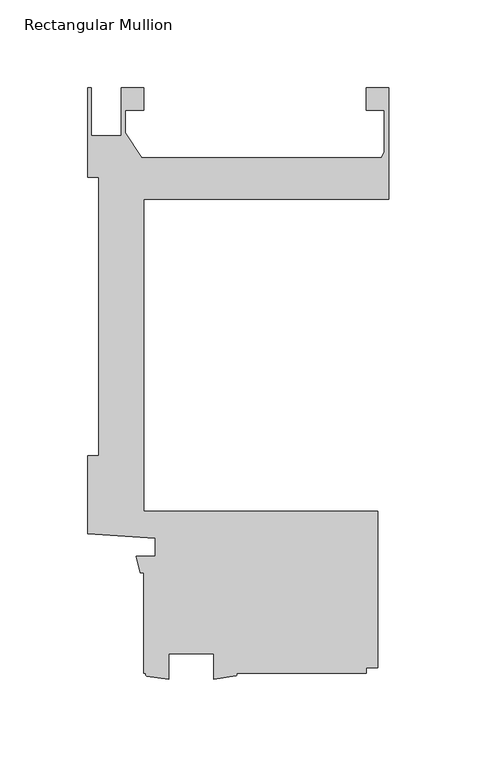
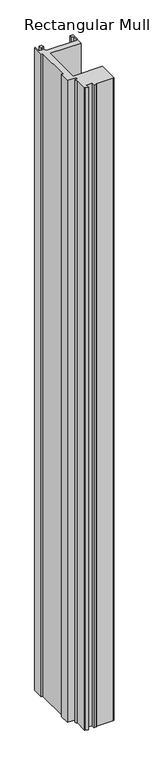
"""IFC4 building model written with IfcOpenShell, lengths in millimetres: member geometry, Rectangular Mullion."""

from ifc_helpers import new_model, si_unit, point, frame, frame_2d, origin, place, context, project, spatial, polyline, circle_curve, trimmed, segment, composite_curve, outline, extrude, source, transform, mapped, element, save


def rectangular_mullion_4d040b89(model_context):
    return source(origin(), model_context, "Body", "SweptSolid", [
        extrude(outline(composite_curve([segment(polyline([(-139.6770294, 247.6499996), (-139.6770294, 234.9754), (-149.9773426, 234.9754), (-149.9773426, 221.9445453), (-140.6789127, 207.9497996), (-4.3676768, 207.9497996)]), True, "CONTINUOUS"), segment(trimmed(circle_curve(frame_2d((-8.89, 212.4075)), 6.35), [point((-4.3676768, 207.9497996))], [point((-2.54, 212.4075))], True, "CARTESIAN"), True, "CONTINUOUS"), segment(polyline([(-2.54, 212.4075), (-2.54, 234.9754), (-12.720056, 234.9754), (-12.720056, 247.6754), (0.0, 247.6754), (0.0, 184.15), (-139.7010309, 184.15), (-139.7010309, 6.35), (-6.3510934, 6.35), (-6.3510934, -82.549973), (-12.7010309, -82.549973), (-12.7010309, -85.725127), (-87.0262183, -85.725127)]), True, "CONTINUOUS"), segment(trimmed(circle_curve(frame_2d((-87.4347864, -86.5180751)), 0.8920172), [point((-87.0262183, -85.725127))], [point((-87.0262183, -87.3110233))], False, "CARTESIAN"), True, "CONTINUOUS"), segment(polyline([(-87.0262183, -87.3110233), (-99.7975059, -89.121127), (-99.7975059, -74.612627), (-125.1975059, -74.612627), (-125.1975059, -89.2446487), (-137.9705587, -87.3885314)]), True, "CONTINUOUS"), segment(trimmed(circle_curve(frame_2d((-137.4485295, -86.5568292)), 0.9819587), [point((-137.9705587, -87.3885314))], [point((-137.9705587, -85.725127))], False, "CARTESIAN"), True, "CONTINUOUS"), segment(polyline([(-137.9705587, -85.725127), (-139.7010309, -85.725127), (-139.7010309, -28.575), (-141.4322951, -28.575), (-143.8744778, -19.05), (-133.0838609, -19.05), (-133.0838609, -8.89), (-171.4510934, -6.2322928), (-171.4510934, 38.1), (-165.3339382, 38.1), (-165.3339382, 196.8499996), (-171.4499999, 196.8499996), (-171.4499999, 247.6499996), (-169.4179999, 247.6499996), (-169.4179999, 220.4901991), (-152.5173426, 220.4901991), (-152.5173426, 247.6499996), (-139.6770294, 247.6499996)]), True, "CONTINUOUS")], self_intersect=False)), frame((0.0, 0.0, -3048.0), z_axis=(0.0, 0.0, 1.0), x_axis=(1.0, 0.0, 0.0)), (0.0, 0.0, 1.0), 3048.0),
    ])


if __name__ == "__main__":
    model = new_model("IFC4")
    model_context = context("Model", 3, world=origin())
    ifc_project = project(units=[si_unit("LENGTHUNIT", "METRE", prefix="MILLI")], contexts=[model_context])
    site = spatial("IfcSite", under=ifc_project)
    building = spatial("IfcBuilding", under=site)
    placement = place(None, origin())
    rectangular_mullion_shape = rectangular_mullion_4d040b89(model_context)
    element("IfcMember", 1, ObjectType="Rectangular Mullion", at=placement, inside=building, context=model_context, shape_type="MappedRepresentation", body=[
        mapped(rectangular_mullion_shape, transform((0.0, 0.0, 0.0), x_axis=(1.0, 0.0, 0.0), y_axis=(0.0, 1.0, 0.0), z_axis=(0.0, 0.0, 1.0))),
    ])
    save(model, "model.ifc")
